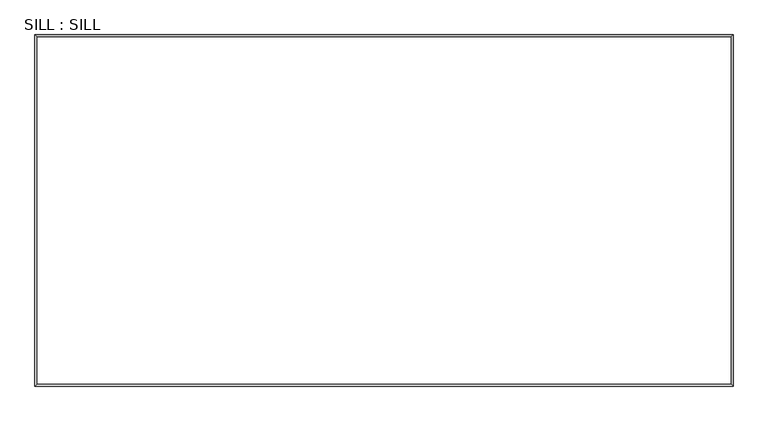
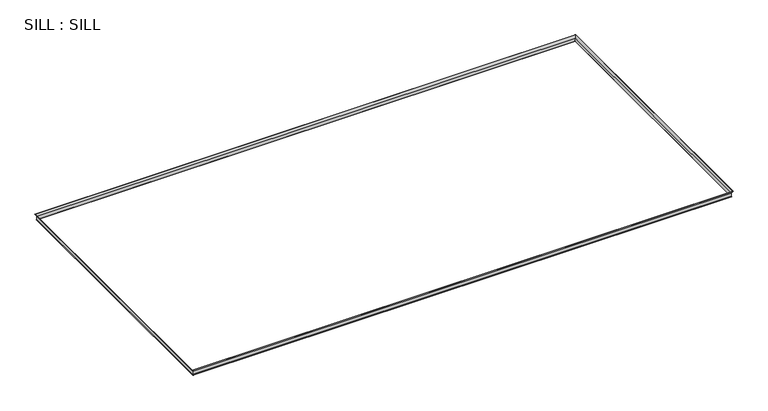
"""IFC4 building model written with IfcOpenShell, lengths in millimetres: proxy geometry, SILL : SILL."""

from ifc_helpers import new_model, si_unit, origin, place, context, project, spatial, faceted_brep, source, transform, mapped, element, save


def sill_sill_0ce0b870(model_context):
    return source(origin(), model_context, "Body", "Brep", [
        faceted_brep([(1181.6592784, -8194.4269367, 817.2209905), (1210.8610168, -8223.628675, 766.642096), (1210.8610168, -14352.2305282, 766.642096), (1181.6592784, -14381.4322665, 817.2209905), (1183.0230952, -8195.7907535, 818.0083905), (1183.0230952, -14380.0684497, 818.0083905), (1212.4485168, -8225.216175, 767.0420653), (1212.4485168, -14350.6430282, 767.0420653), (1212.4485168, -8225.216175, 691.789149), (1212.4485168, -14350.6430282, 691.789149), (1203.4682606, -8216.2359189, 682.8088929), (1203.4682606, -14359.6232843, 682.8088929), (1202.3457286, -8215.1133869, 683.9314249), (1202.3457286, -14360.7458163, 683.9314249), (1210.8610168, -8223.628675, 692.4467131), (1210.8610168, -14352.2305282, 692.4467131), (13435.4446139, -14352.2305282, 766.642096), (13464.6463523, -14381.4322665, 817.2209905), (13463.2825355, -14380.0684497, 818.0083905), (13433.8571139, -14350.6430282, 767.0420653), (13433.8571139, -14350.6430282, 691.789149), (13442.8373701, -14359.6232843, 682.8088929), (13443.9599021, -14360.7458163, 683.9314249), (13435.4446139, -14352.2305282, 692.4467131), (13435.4446139, -8223.628675, 766.642096), (13464.6463523, -8194.4269367, 817.2209905), (13463.2825355, -8195.7907535, 818.0083905), (13433.8571139, -8225.216175, 767.0420653), (13433.8571139, -8225.216175, 691.789149), (13442.8373701, -8216.2359189, 682.8088929), (13443.9599021, -8215.1133869, 683.9314249), (13435.4446139, -8223.628675, 692.4467131)], [[[0, 1, 2, 3]], [[4, 0, 3, 5]], [[6, 4, 5, 7]], [[8, 6, 7, 9]], [[10, 8, 9, 11]], [[12, 10, 11, 13]], [[14, 12, 13, 15]], [[1, 14, 15, 2]], [[3, 2, 16, 17]], [[5, 3, 17, 18]], [[7, 5, 18, 19]], [[9, 7, 19, 20]], [[11, 9, 20, 21]], [[13, 11, 21, 22]], [[15, 13, 22, 23]], [[2, 15, 23, 16]], [[17, 16, 24, 25]], [[18, 17, 25, 26]], [[19, 18, 26, 27]], [[20, 19, 27, 28]], [[21, 20, 28, 29]], [[22, 21, 29, 30]], [[23, 22, 30, 31]], [[16, 23, 31, 24]], [[25, 24, 1, 0]], [[26, 25, 0, 4]], [[27, 26, 4, 6]], [[28, 27, 6, 8]], [[29, 28, 8, 10]], [[30, 29, 10, 12]], [[31, 30, 12, 14]], [[24, 31, 14, 1]]]),
    ])


if __name__ == "__main__":
    model = new_model("IFC4")
    model_context = context("Model", 3, world=origin())
    ifc_project = project(units=[si_unit("LENGTHUNIT", "METRE", prefix="MILLI")], contexts=[model_context])
    site = spatial("IfcSite", under=ifc_project)
    building = spatial("IfcBuilding", under=site)
    placement = place(None, origin())
    sill_sill_shape = sill_sill_0ce0b870(model_context)
    element("IfcBuildingElementProxy", 1, Name="SILL : SILL", ObjectType="SILL : SILL", at=placement, inside=building, context=model_context, shape_type="MappedRepresentation", body=[
        mapped(sill_sill_shape, transform((0.0, 0.0, 0.0), x_axis=(1.0, 0.0, 0.0), y_axis=(0.0, 1.0, 0.0), z_axis=(0.0, 0.0, 1.0))),
    ])
    save(model, "model.ifc")
